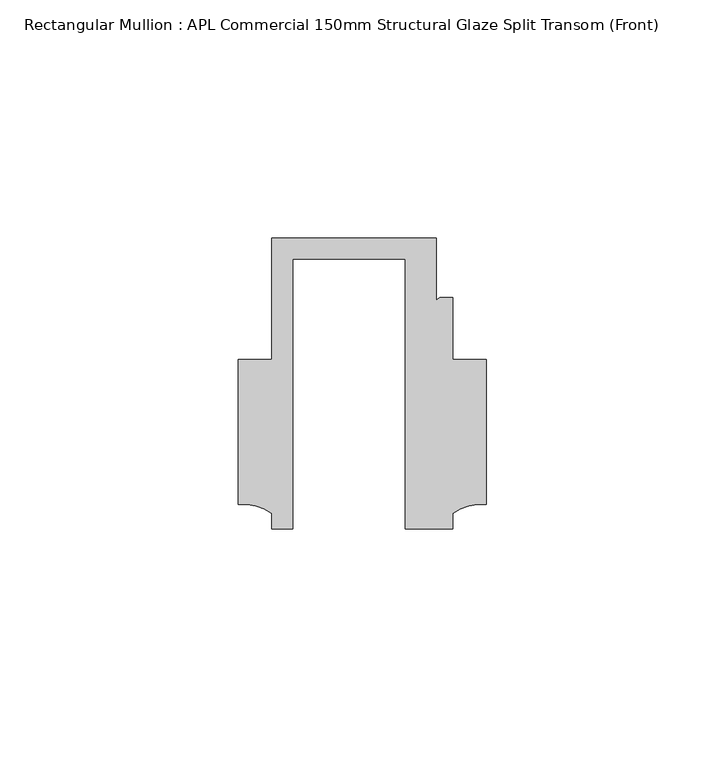
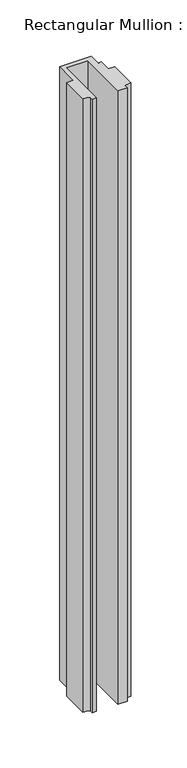
"""IFC4 building model written with IfcOpenShell, lengths in millimetres: member geometry, Rectangular Mullion : APL Commercial 150mm Structural Glaze Split Transom (Front)."""

import ifcopenshell
import ifcopenshell.guid

model = None  # the IFC model being written
_history = None  # IfcOwnerHistory: only IFC2X3 demands one
_inside = {}  # id of a spatial element -> (the spatial element, [elements in it])
_under = {}  # id of a project, library or spatial element -> (it, [spatial elements below it])
_declared = {}  # id of a project -> (the project, [libraries it declares])
_typed = {}  # id of a type object -> (the type object, [elements of that type])
_made_of = {}  # id of a material, layer set ... -> (it, [elements and type objects made of it])


def new_model(schema):
    """Start an empty IFC model of exactly this schema.

    Asked for "IFC4X3", IfcOpenShell would pick the latest addendum, in which some entities
    have other attributes; the version numbers below select the first issue.
    IFC2X3 requires an IfcOwnerHistory on every rooted entity: one is made here for all.
    """
    global model, _history
    if schema == "IFC4X3":
        model = ifcopenshell.file(schema_version=(4, 3, 0, 0))
    else:
        model = ifcopenshell.file(schema=schema)
    _inside.clear()
    _under.clear()
    _declared.clear()
    _typed.clear()
    _made_of.clear()
    _history = None
    if model.schema == "IFC2X3":
        org = make("IfcOrganization", Name="unknown")
        user = make(
            "IfcPersonAndOrganization",
            ThePerson=make("IfcPerson", FamilyName="unknown"),
            TheOrganization=org,
        )
        app = make(
            "IfcApplication",
            ApplicationDeveloper=org,
            Version="unknown",
            ApplicationFullName="unknown",
            ApplicationIdentifier="unknown",
        )
        _history = make(
            "IfcOwnerHistory",
            OwningUser=user,
            OwningApplication=app,
            ChangeAction="ADDED",
            CreationDate=0,
        )
    return model


def make(cls, **values):
    """One entity of the class cls with the attributes given. An attribute that is None is left unset."""
    return model.create_entity(
        cls, **{name: value for name, value in values.items() if value is not None}
    )


def rooted(cls, **values):
    """An entity with a GlobalId (a new one), such as an element, a storey or a relation."""
    return make(cls, GlobalId=ifcopenshell.guid.new(), OwnerHistory=_history, **values)


def si_unit(unit_type, name, prefix=None):
    """IfcSIUnit, for example si_unit("LENGTHUNIT", "METRE", prefix="MILLI")."""
    return make("IfcSIUnit", UnitType=unit_type, Prefix=prefix, Name=name)


def assignment(units):
    """IfcUnitAssignment: the units of a project."""
    return None if units is None else make("IfcUnitAssignment", Units=units)


def point(xyz):
    """IfcCartesianPoint."""
    return None if xyz is None else make("IfcCartesianPoint", Coordinates=xyz)


def direction(xyz):
    """IfcDirection."""
    return None if xyz is None else make("IfcDirection", DirectionRatios=xyz)


def frame(location, z_axis=None, x_axis=None):
    """IfcAxis2Placement3D, a coordinate frame: its origin and axes. An axis left out is left unset."""
    return make(
        "IfcAxis2Placement3D",
        Location=point(location),
        Axis=direction(z_axis),
        RefDirection=direction(x_axis),
    )


def frame_2d(location, x_axis=None):
    """IfcAxis2Placement2D, a coordinate frame in the plane: its origin and x axis."""
    return make(
        "IfcAxis2Placement2D", Location=point(location), RefDirection=direction(x_axis)
    )


def origin():
    """The frame at (0, 0, 0) with its axes left unset."""
    return frame((0.0, 0.0, 0.0))


def place(relative_to, where):
    """IfcLocalPlacement: puts the frame where relative to a parent placement (None: the world)."""
    return make(
        "IfcLocalPlacement", PlacementRelTo=relative_to, RelativePlacement=where
    )


def context(
    kind, dimensions, precision=None, world=None, true_north=None, identifier=None
):
    """IfcGeometricRepresentationContext, for example the 3D "Model" context."""
    return make(
        "IfcGeometricRepresentationContext",
        ContextIdentifier=identifier,
        ContextType=kind,
        CoordinateSpaceDimension=dimensions,
        Precision=precision,
        WorldCoordinateSystem=world,
        TrueNorth=true_north,
    )


def project(units=None, contexts=None):
    """IfcProject with its units and contexts."""
    return rooted(
        "IfcProject",
        Name="project",
        RepresentationContexts=contexts,
        UnitsInContext=assignment(units),
    )


def spatial(cls, under=None, at=None, **own):
    """A site, building, storey or space (cls), placed at a placement, below another one or the project."""
    s = rooted(cls, ObjectPlacement=at, **own)
    if under is not None:
        _under.setdefault(under.id(), (under, []))[1].append(s)
    return s


def polyline(points):
    """IfcPolyline through the points."""
    return make("IfcPolyline", Points=[point(p) for p in points])


def circle_curve(where, radius):
    """IfcCircle in the frame where."""
    return make("IfcCircle", Position=where, Radius=radius)


def trimmed(basis, trim1, trim2, sense, master):
    """IfcTrimmedCurve: the piece of a basis curve between two trims."""
    return make(
        "IfcTrimmedCurve",
        BasisCurve=basis,
        Trim1=trim1,
        Trim2=trim2,
        SenseAgreement=sense,
        MasterRepresentation=master,
    )


def segment(curve, same_sense, transition):
    """IfcCompositeCurveSegment."""
    return make(
        "IfcCompositeCurveSegment",
        Transition=transition,
        SameSense=same_sense,
        ParentCurve=curve,
    )


def composite_curve(segments, self_intersect=None):
    """IfcCompositeCurve: segments joined end to end."""
    return make("IfcCompositeCurve", Segments=segments, SelfIntersect=self_intersect)


def outline(outer, holes=None, kind="AREA"):
    """IfcArbitraryClosedProfileDef: a profile drawn as a closed curve; with holes, ...WithVoids."""
    if holes is None:
        return make("IfcArbitraryClosedProfileDef", ProfileType=kind, OuterCurve=outer)
    return make(
        "IfcArbitraryProfileDefWithVoids",
        ProfileType=kind,
        OuterCurve=outer,
        InnerCurves=holes,
    )


def extrude(swept, where, along, depth):
    """IfcExtrudedAreaSolid: the profile swept, set in the frame where, extruded along a direction by depth."""
    return make(
        "IfcExtrudedAreaSolid",
        SweptArea=swept,
        Position=where,
        ExtrudedDirection=direction(along),
        Depth=depth,
    )


def shape(context_of_items, identifier, shape_type, items):
    """IfcShapeRepresentation: the items that make up one representation, for example the "Body"."""
    return make(
        "IfcShapeRepresentation",
        ContextOfItems=context_of_items,
        RepresentationIdentifier=identifier,
        RepresentationType=shape_type,
        Items=items,
    )


def source(mapping_origin, context_of_items, identifier, shape_type, items):
    """IfcRepresentationMap: a shape defined once, which mapped items show again and again."""
    return make(
        "IfcRepresentationMap",
        MappingOrigin=mapping_origin,
        MappedRepresentation=shape(context_of_items, identifier, shape_type, items),
    )


def transform(
    local_origin,
    x_axis=None,
    y_axis=None,
    z_axis=None,
    scale=None,
    scale2=None,
    scale3=None,
    uniform=True,
):
    """IfcCartesianTransformationOperator3D, or its non-uniform kind. x_axis, y_axis, z_axis: its Axis1, 2, 3."""
    if uniform:
        return make(
            "IfcCartesianTransformationOperator3D",
            Axis1=direction(x_axis),
            Axis2=direction(y_axis),
            LocalOrigin=point(local_origin),
            Scale=scale,
            Axis3=direction(z_axis),
        )
    return make(
        "IfcCartesianTransformationOperator3DnonUniform",
        Axis1=direction(x_axis),
        Axis2=direction(y_axis),
        LocalOrigin=point(local_origin),
        Scale=scale,
        Axis3=direction(z_axis),
        Scale2=scale2,
        Scale3=scale3,
    )


def mapped(mapping_source, mapping_target):
    """IfcMappedItem: shows the shape of a source again, moved by a transform."""
    return make(
        "IfcMappedItem", MappingSource=mapping_source, MappingTarget=mapping_target
    )


def made_of(thing, what):
    """Note that an element or type object is made of a material, layer set ...; save() writes the relation."""
    if what is not None:
        _made_of.setdefault(what.id(), (what, []))[1].append(thing)
    return thing


def element(
    cls,
    number,
    at=None,
    inside=None,
    cuts=None,
    type_object=None,
    material=None,
    context=None,
    identifier="Body",
    shape_type=None,
    held_by="IfcProductDefinitionShape",
    body=None,
    shapes=None,
    **own,
):
    """One element of the class cls, such as IfcWall. Its Tag is "e" and its number.

    at: its placement. inside: the storey or other place that contains it. cuts: it is an
    opening in that element (IfcRelVoidsElement). A single representation is given by context,
    identifier, shape_type and body (its items); several are given by shapes. held_by: the class
    of the entity that holds the representations. save() writes the other relations.
    """
    e = rooted(cls, Tag="e%d" % number, ObjectPlacement=at, **own)
    if body is not None:
        shapes = [shape(context, identifier, shape_type, body)]
    if shapes is not None:
        e.Representation = make(held_by, Representations=shapes)
    if inside is not None:
        _inside.setdefault(inside.id(), (inside, []))[1].append(e)
    if cuts is not None:
        rooted(
            "IfcRelVoidsElement", RelatingBuildingElement=cuts, RelatedOpeningElement=e
        )
    if type_object is not None:
        _typed.setdefault(type_object.id(), (type_object, []))[1].append(e)
    return made_of(e, material)


def aggregate(whole, parts):
    """IfcRelAggregates: a whole, such as a stair, and the parts it consists of."""
    return rooted("IfcRelAggregates", RelatingObject=whole, RelatedObjects=parts)


def save(model, path):
    """Write the relations noted so far, then the file.

    IfcRelAggregates (storeys below a building ...), IfcRelContainedInSpatialStructure (elements
    in a storey), IfcRelDefinesByType, IfcRelAssociatesMaterial and IfcRelDeclares: one each for
    every whole, place, type object, material and project.
    """
    for whole, parts in _under.values():
        aggregate(whole, parts)
    for where, things in _inside.values():
        rooted(
            "IfcRelContainedInSpatialStructure",
            RelatedElements=things,
            RelatingStructure=where,
        )
    for kind, things in _typed.values():
        rooted("IfcRelDefinesByType", RelatedObjects=things, RelatingType=kind)
    for what, things in _made_of.values():
        rooted("IfcRelAssociatesMaterial", RelatedObjects=things, RelatingMaterial=what)
    for by, libraries in _declared.values():
        rooted("IfcRelDeclares", RelatingContext=by, RelatedDefinitions=libraries)
    model.write(path)


def rectangular_mullion_apl_commercial_150mm_structural_glaze_609cbfc7(model_context):
    return source(origin(), model_context, "Body", "SweptSolid", [
        extrude(outline(composite_curve([segment(polyline([(-23.5949354, -20.5), (-28.0000482, -20.5), (-28.0000482, -17.3123419)]), True, "CONTINUOUS"), segment(trimmed(circle_curve(frame_2d((-34.10985, -25.7980019)), 10.4563907), [point((-28.0000482, -17.3123419))], [point((-34.9999873, -15.3795682))], True, "CARTESIAN"), True, "CONTINUOUS"), segment(polyline([(-34.9999873, -15.3795682), (-34.9999873, 15.001276), (-28.0000482, 15.001276), (-28.0000482, 40.499932), (6.5000029, 40.499932), (6.5000029, 27.0002131)]), True, "CONTINUOUS"), segment(trimmed(circle_curve(frame_2d((7.5000029, 27.0002131)), 1.0), [point((6.5000029, 27.0002131))], [point((7.5000029, 28.0002131))], False, "CARTESIAN"), True, "CONTINUOUS"), segment(polyline([(7.5000029, 28.0002131), (10.0000029, 28.0002131), (10.0000029, 15.0004617), (16.999942, 15.0004617), (16.999942, -15.3793686)]), True, "CONTINUOUS"), segment(trimmed(circle_curve(frame_2d((16.1098048, -25.7978024)), 10.4563907), [point((16.999942, -15.3793686))], [point((10.0000029, -17.3121423))], True, "CARTESIAN"), True, "CONTINUOUS"), segment(polyline([(10.0000029, -17.3121423), (10.0000029, -20.5), (0.0, -20.5), (0.0, 36.1008577), (-23.5949354, 36.1008577), (-23.5949354, -20.5)]), True, "CONTINUOUS")], self_intersect=False)), frame((0.0, 0.0, -704.0250152), z_axis=(0.0, 0.0, 1.0), x_axis=(1.0, 0.0, 0.0)), (0.0, 0.0, 1.0), 704.0250152),
    ])


if __name__ == "__main__":
    model = new_model("IFC4")
    model_context = context("Model", 3, world=origin())
    ifc_project = project(units=[si_unit("LENGTHUNIT", "METRE", prefix="MILLI")], contexts=[model_context])
    site = spatial("IfcSite", under=ifc_project)
    building = spatial("IfcBuilding", under=site)
    placement = place(None, origin())
    rectangular_mullion_apl_commercial_150mm_structural_glaze_shape = rectangular_mullion_apl_commercial_150mm_structural_glaze_609cbfc7(model_context)
    element("IfcMember", 1, ObjectType="Rectangular Mullion : APL Commercial 150mm Structural Glaze Split Transom (Front)", at=placement, inside=building, context=model_context, shape_type="MappedRepresentation", body=[
        mapped(rectangular_mullion_apl_commercial_150mm_structural_glaze_shape, transform((0.0, 0.0, 0.0), x_axis=(1.0, 0.0, 0.0), y_axis=(0.0, 1.0, 0.0), z_axis=(0.0, 0.0, 1.0))),
    ])
    save(model, "model.ifc")
